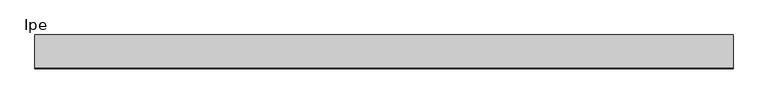
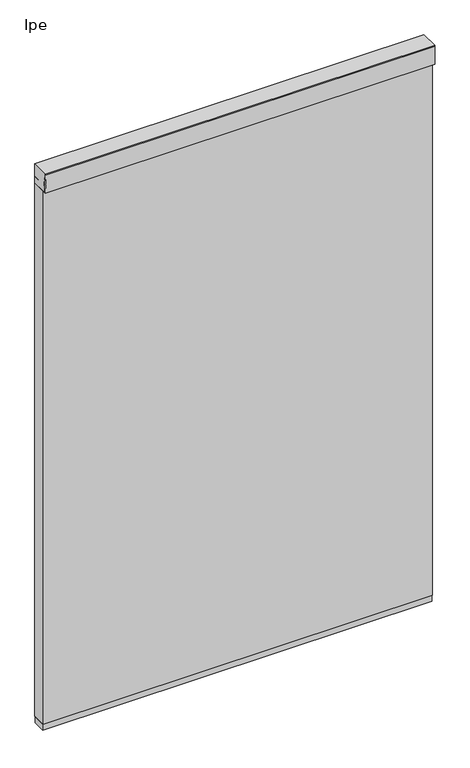
"""IFC4 building model written with IfcOpenShell, lengths in millimetres: plate geometry, Ipe."""

from ifc_helpers import new_model, si_unit, point, frame, frame_2d, origin, place, context, project, spatial, polyline, circle_curve, trimmed, segment, composite_curve, outline, extrude, source, transform, mapped, element, save


def ipe_3b26ecce(model_context):
    return source(origin(), model_context, "Body", "SweptSolid", [
        extrude(outline(composite_curve([segment(polyline([(28.575, 2438.4), (28.575, 2359.025), (-34.13125, 2359.025)]), True, "CONTINUOUS"), segment(trimmed(circle_curve(frame_2d((-367.5335463, 2356.0450255)), 333.4156137), [point((-34.13125, 2359.025))], [point((-43.65625, 2435.225))], True, "CARTESIAN"), True, "CONTINUOUS"), segment(polyline([(-43.65625, 2435.225), (-43.65625, 2438.4), (28.575, 2438.4)]), True, "CONTINUOUS")], self_intersect=False)), frame((-771.0908476, 0.0, 0.0), z_axis=(1.0, 0.0, 0.0), x_axis=(0.0, 1.0, 0.0)), (0.0, 0.0, 1.0), 1542.1816951),
        extrude(outline(composite_curve([segment(polyline([(28.575, 2359.025), (-43.65625, 2359.025)]), True, "CONTINUOUS"), segment(trimmed(circle_curve(frame_2d((268.5966329, 2398.7125)), 314.7649291), [point((-43.65625, 2359.025))], [point((-43.65625, 2438.4))], False, "CARTESIAN"), True, "CONTINUOUS"), segment(polyline([(-43.65625, 2438.4), (28.575, 2438.4), (28.575, 2359.025)]), True, "CONTINUOUS")], self_intersect=False)), frame((-771.0908476, 0.0, 0.0), z_axis=(1.0, 0.0, 0.0), x_axis=(0.0, 1.0, 0.0)), (0.0, 0.0, 1.0), 1542.1816951),
        extrude(outline(polyline([(-771.0908476, 25.4), (771.0908476, 25.4), (771.0908476, -25.4), (-771.0908476, -25.4), (-771.0908476, 25.4)])), frame((0.0, 0.0, 101.6), z_axis=(0.0, 0.0, 1.0), x_axis=(1.0, 0.0, 0.0)), (0.0, 0.0, 1.0), 25.4),
        extrude(outline(polyline([(771.0908476, 28.575), (771.0908476, -28.575), (-771.0908476, -28.575), (-771.0908476, 28.575), (771.0908476, 28.575)])), frame((0.0, 0.0, 127.0), z_axis=(0.0, 0.0, 1.0), x_axis=(1.0, 0.0, 0.0)), (0.0, 0.0, 1.0), 2260.6),
    ])


if __name__ == "__main__":
    model = new_model("IFC4")
    model_context = context("Model", 3, world=origin())
    ifc_project = project(units=[si_unit("LENGTHUNIT", "METRE", prefix="MILLI")], contexts=[model_context])
    site = spatial("IfcSite", under=ifc_project)
    building = spatial("IfcBuilding", under=site)
    placement = place(None, origin())
    ipe_shape = ipe_3b26ecce(model_context)
    element("IfcPlate", 1, ObjectType="Ipe", at=placement, inside=building, context=model_context, shape_type="MappedRepresentation", body=[
        mapped(ipe_shape, transform((0.0, 0.0, 0.0), x_axis=(1.0, 0.0, 0.0), y_axis=(0.0, 1.0, 0.0), z_axis=(0.0, 0.0, 1.0))),
    ])
    save(model, "model.ifc")
